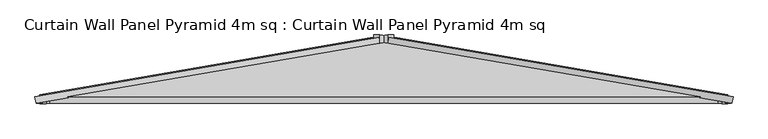
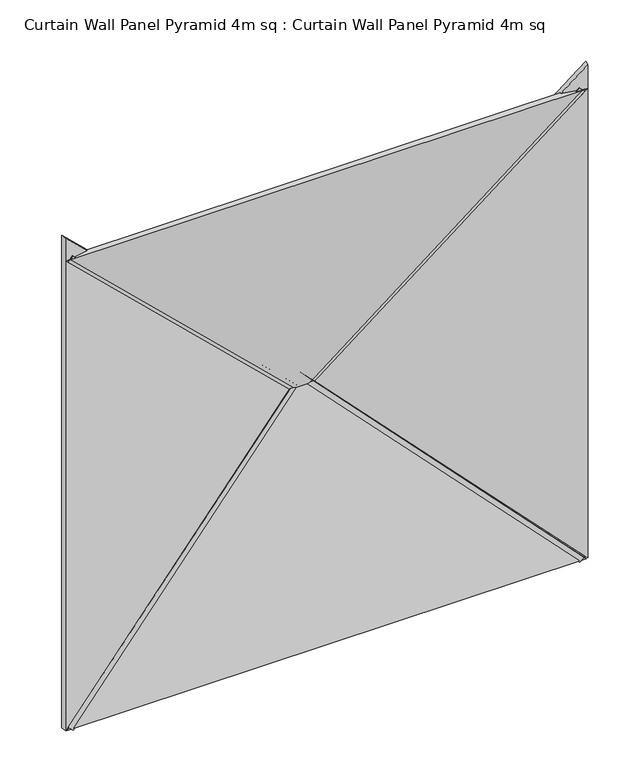
"""IFC4 building model written with IfcOpenShell, lengths in millimetres: plate geometry, Curtain Wall Panel Pyramid 4m sq : Curtain Wall Panel Pyramid 4m sq."""

from ifc_helpers import new_model, si_unit, frame, origin, place, context, project, spatial, polyline, outline, extrude, source, transform, mapped, element, save


def curtain_wall_panel_pyramid_4m_sq_curtain_wall_panel_pyramid_8be5e63f(model_context):
    return source(origin(), model_context, "Body", "SweptSolid", [
        extrude(outline(polyline([(-25.0, 0.0), (25.0, 0.0), (-319.5008531, -2828.2124727), (-369.5008531, -2828.2124727), (-25.0, 0.0)])), frame((1942.3223305, 25.0, -17.6776695), z_axis=(0.7071067811865489, 0.0, 0.7071067811865461), x_axis=(0.0, -1.0, 0.0)), (0.0, 0.0, 1.0), 50.0),
        extrude(outline(polyline([(-25.0, 0.0), (25.0, 0.0), (369.5008531, -2828.2124727), (319.5008531, -2828.2124727), (-25.0, 0.0)])), frame((-1942.3223305, 25.0, -17.6776695), z_axis=(-0.7071067811865475, 0.0, 0.7071067811865477), x_axis=(0.0, 1.0, 0.0)), (0.0, 0.0, 1.0), 50.0),
        extrude(outline(polyline([(-25.0, 0.0), (25.0, 0.0), (369.5008531, -2828.2124727), (319.5008531, -2828.2124727), (-25.0, 0.0)])), frame((-1977.6776695, 25.0, 3782.3223305), z_axis=(0.7071067811865489, 0.0, 0.7071067811865462), x_axis=(0.0, 1.0, 0.0)), (0.0, 0.0, 1.0), 50.0),
        extrude(outline(polyline([(-25.0, 0.0), (25.0, 0.0), (-319.5008531, -2828.2124727), (-369.5008531, -2828.2124727), (-25.0, 0.0)])), frame((1977.6776695, 25.0, 3782.3223305), z_axis=(-0.7071067811865472, 0.0, 0.7071067811865479), x_axis=(0.0, -1.0, 0.0)), (0.0, 0.0, 1.0), 50.0),
        extrude(outline(polyline([(1993.2098768, -1014.7271131), (-2.1709376, 1016.8143409), (3988.5906912, 1016.8143409), (1993.2098768, -1014.7271131)])), frame((1000.0, 172.8335872, 0.0), z_axis=(0.16975307948003834, 0.9854866270056859, 0.0), x_axis=(0.0, 0.0, 1.0)), (0.0, 0.0, 1.0), 40.0),
        extrude(outline(polyline([(0.0, -1014.7271131), (-1991.3928218, 1012.7540773), (1991.3928218, 1012.7540773), (0.0, -1014.7271131)])), frame((0.0, 212.2530523, 986.4197536), z_axis=(0.0, -0.9854866270056859, 0.16975307948003834), x_axis=(-1.0, 0.0, 0.0)), (0.0, 0.0, 1.0), 40.0),
        extrude(outline(polyline([(1993.2098768, 1014.7271131), (3986.6374086, -1014.8256606), (-0.217655, -1014.8256606), (1993.2098768, 1014.7271131)])), frame((-1000.0, 172.8335872, 0.0), z_axis=(-0.16975307948003834, 0.9854866270056859, 0.0), x_axis=(0.0, 0.0, 1.0)), (0.0, 0.0, 1.0), 40.0),
        extrude(outline(polyline([(1996.304868, -1017.8221042), (-1996.2959025, -1017.8221042), (2.4233431, 976.0594205), (1996.304868, -1017.8221042)])), frame((0.0, 172.8335872, 2793.2098768), z_axis=(0.0, 0.9854866270056859, 0.16975307948003832), x_axis=(1.0, 0.0, 0.0)), (0.0, 0.0, 1.0), 40.0),
    ])


if __name__ == "__main__":
    model = new_model("IFC4")
    model_context = context("Model", 3, world=origin())
    ifc_project = project(units=[si_unit("LENGTHUNIT", "METRE", prefix="MILLI")], contexts=[model_context])
    site = spatial("IfcSite", under=ifc_project)
    building = spatial("IfcBuilding", under=site)
    placement = place(None, origin())
    curtain_wall_panel_pyramid_4m_sq_curtain_wall_panel_pyramid_shape = curtain_wall_panel_pyramid_4m_sq_curtain_wall_panel_pyramid_8be5e63f(model_context)
    element("IfcPlate", 1, ObjectType="Curtain Wall Panel Pyramid 4m sq : Curtain Wall Panel Pyramid 4m sq", at=placement, inside=building, context=model_context, shape_type="MappedRepresentation", body=[
        mapped(curtain_wall_panel_pyramid_4m_sq_curtain_wall_panel_pyramid_shape, transform((0.0, 0.0, 0.0), x_axis=(1.0, 0.0, 0.0), y_axis=(0.0, 1.0, 0.0), z_axis=(0.0, 0.0, 1.0))),
    ])
    save(model, "model.ifc")
